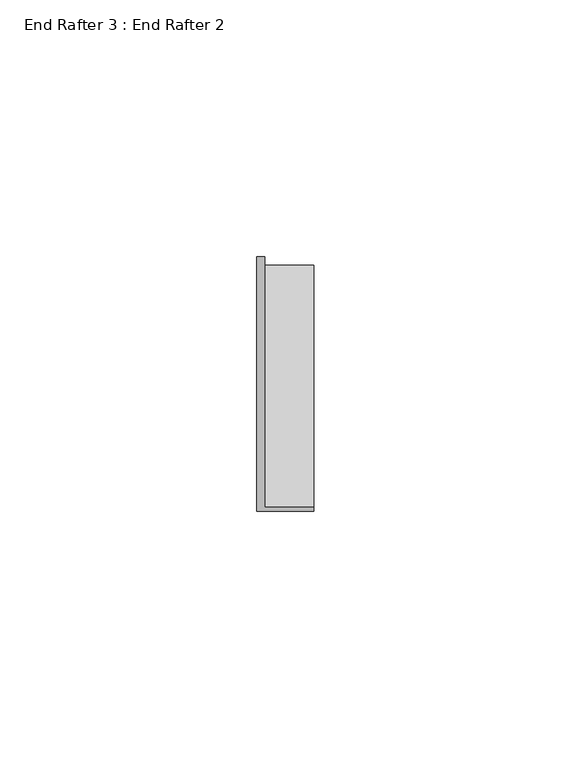
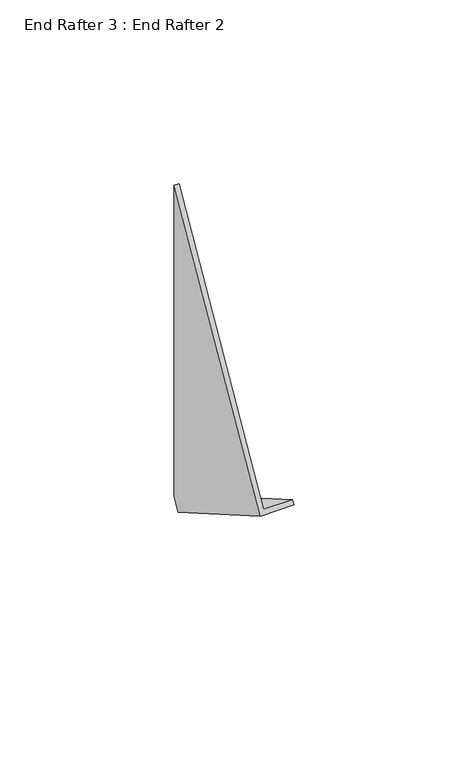
"""IFC4 building model written with IfcOpenShell, lengths in millimetres: proxy geometry, End Rafter 3 : End Rafter 2."""

from ifc_helpers import new_model, si_unit, origin, place, context, project, spatial, faceted_brep, source, transform, mapped, element, save


def end_rafter_3_end_rafter_2_c5976a33(model_context):
    return source(origin(), model_context, "Body", "Brep", [
        faceted_brep([(8339.4800127, -17920.3664017, -45.3217788), (8349.0184747, -17920.3664017, -45.3217788), (8349.0184747, -17921.1538017, -46.6855956), (8337.9052127, -17921.1538017, -46.6855956), (8337.9052127, -17918.7606695, -42.5405691), (8339.4800127, -17918.7606695, -42.5405691), (8337.9052127, -17918.7606695, 66.3240241), (8337.9052127, -17968.2935533, -19.4694473), (8349.0184747, -17968.2935533, -19.4694473), (8349.0184747, -17967.5061533, -18.1056305), (8339.4800127, -17967.5061533, -18.1056305), (8339.4800127, -17918.7606695, 66.3240241)], [[[0, 1, 2, 3, 4, 5]], [[6, 7, 8, 9, 10, 11]], [[7, 6, 4, 3]], [[3, 2, 8, 7]], [[2, 1, 9, 8]], [[1, 0, 10, 9]], [[11, 10, 0, 5]], [[5, 4, 6, 11]]]),
    ])


if __name__ == "__main__":
    model = new_model("IFC4")
    model_context = context("Model", 3, world=origin())
    ifc_project = project(units=[si_unit("LENGTHUNIT", "METRE", prefix="MILLI")], contexts=[model_context])
    site = spatial("IfcSite", under=ifc_project)
    building = spatial("IfcBuilding", under=site)
    placement = place(None, origin())
    end_rafter_3_end_rafter_2_shape = end_rafter_3_end_rafter_2_c5976a33(model_context)
    element("IfcBuildingElementProxy", 1, Name="End Rafter 3 : End Rafter 2", ObjectType="End Rafter 3 : End Rafter 2", at=placement, inside=building, context=model_context, shape_type="MappedRepresentation", body=[
        mapped(end_rafter_3_end_rafter_2_shape, transform((0.0, 0.0, 0.0), x_axis=(1.0, 0.0, 0.0), y_axis=(0.0, 1.0, 0.0), z_axis=(0.0, 0.0, 1.0))),
    ])
    save(model, "model.ifc")
